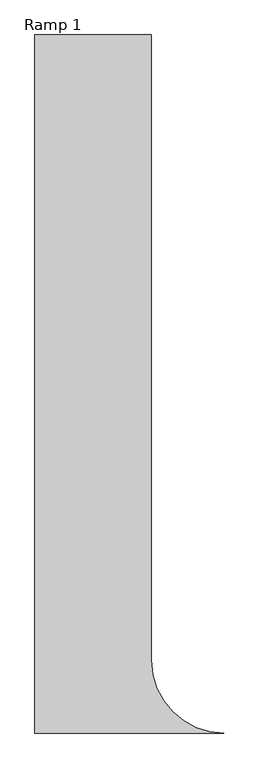
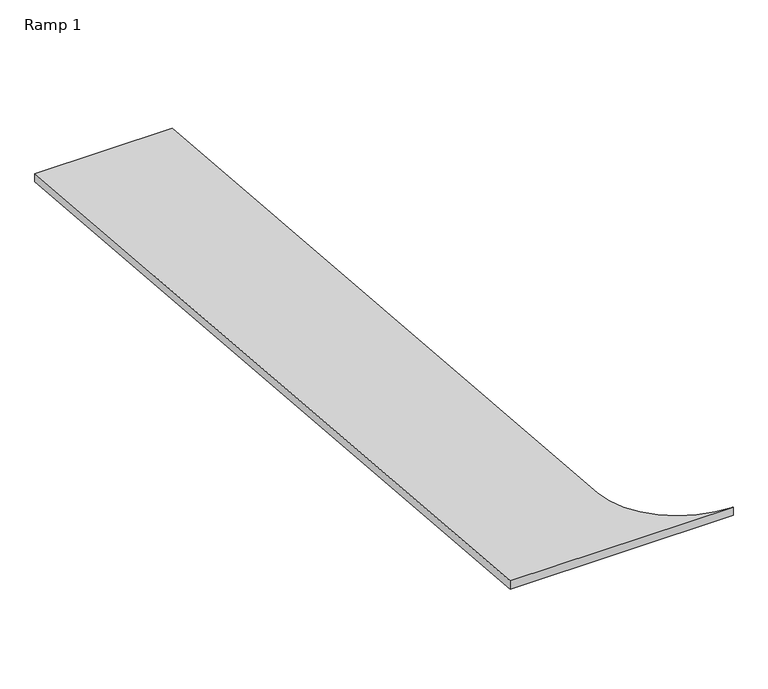
"""IFC4 building model written with IfcOpenShell, lengths in millimetres: ramp geometry, Ramp 1."""

from ifc_helpers import new_model, si_unit, frame, origin, place, context, project, spatial, polyline, ellipse_curve, source, transform, mapped, element, save
from ifc_brep_helpers import plane_surface, revolved_surface, advanced_brep


def ramp_1_0cbbdde7(model_context):
    return source(origin(), model_context, "Body", "AdvancedBrep", [
        advanced_brep(
        [(-243725.6062692, 153899.3023046, 1066.8), (-244487.6062692, 154661.3023046, 1003.3), (-244487.6062692, 161214.5023046, 457.2), (-245706.8062692, 161214.5023046, 457.2), (-245706.8062692, 153899.3023046, 1066.8), (-243725.6062692, 153899.3023046, 990.3358744), (-245706.8062692, 153899.3023046, 990.3358744), (-245706.8062692, 161214.5023046, 380.7358744), (-244487.6062692, 161214.5023046, 380.7358744), (-244487.6062692, 154661.3023046, 926.8358744)],
        [
            (0, 1, ellipse_curve(frame((-243725.6062692, 154661.3023046, 1003.3), z_axis=(0.0, -0.08304547985373976, -0.9965457582448797), x_axis=(0.0, 0.9965457582448797, -0.083045479853739)), 764.6412558, 762.0)),
            (1, 2),
            (2, 3),
            (3, 4),
            (4, 0),
            (5, 6),
            (6, 7),
            (7, 8),
            (8, 9),
            (9, 5, ellipse_curve(frame((-243725.6062692, 154661.3023046, 926.8358744), z_axis=(0.0, 0.08304547985373976, 0.9965457582448797), x_axis=(0.0, 0.9965457582448797, -0.083045479853739)), 764.6412558, 762.0)),
            (3, 7),
            (6, 4),
            (5, 0),
            (9, 1),
            (8, 2),
        ],
        [
            plane_surface(frame((-245097.2062692, 161214.5023046, 457.2), z_axis=(0.0, 0.08304547985373976, 0.9965457582448797), x_axis=(1.0, 0.0, 0.0))),
            plane_surface(frame((-245097.2062692, 161214.5023046, 380.7358744), z_axis=(0.0, -0.08304547985373976, -0.9965457582448797), x_axis=(1.0, 0.0, 0.0))),
            plane_surface(frame((-245706.8062692, 161214.5023046, 457.2), z_axis=(-1.0, 0.0, 0.0), x_axis=(0.0, 0.0, -1.0))),
            plane_surface(frame((-245706.8062692, 153899.3023046, 1066.8), z_axis=(0.0, -1.0, 0.0), x_axis=(0.0, 0.0, -1.0))),
            revolved_surface(polyline([(-242963.6062692, 154661.3023046, 863.3358743961234), (-242963.6062692, 154661.3023046, 1066.8000000038764)]), (-243725.6062692, 154661.3023046, 762.0), (0.0, 0.0, -1.0)),
            plane_surface(frame((-244487.6062692, 154661.3023046, 1003.3), z_axis=(1.0, 0.0, 0.0), x_axis=(0.0, 0.0, -1.0))),
            plane_surface(frame((-244487.6062692, 161214.5023046, 457.2), z_axis=(0.0, 1.0, 0.0), x_axis=(0.0, 0.0, -1.0))),
        ],
        [
            (0, [[1, 2, 3, 4, 5]]),
            (1, [[6, 7, 8, 9, 10]]),
            (2, [[-4, 11, -7, 12]]),
            (3, [[-5, -12, -6, 13]]),
            (4, [[-1, -13, -10, 14]]),
            (5, [[-2, -14, -9, 15]]),
            (6, [[-3, -15, -8, -11]]),
        ],
    ),
    ])


if __name__ == "__main__":
    model = new_model("IFC4")
    model_context = context("Model", 3, world=origin())
    ifc_project = project(units=[si_unit("LENGTHUNIT", "METRE", prefix="MILLI")], contexts=[model_context])
    site = spatial("IfcSite", under=ifc_project)
    building = spatial("IfcBuilding", under=site)
    placement = place(None, origin())
    ramp_1_shape = ramp_1_0cbbdde7(model_context)
    element("IfcRamp", 1, ObjectType="Ramp 1", at=placement, inside=building, context=model_context, shape_type="MappedRepresentation", body=[
        mapped(ramp_1_shape, transform((0.0, 0.0, 0.0), x_axis=(1.0, 0.0, 0.0), y_axis=(0.0, 1.0, 0.0), z_axis=(0.0, 0.0, 1.0))),
    ])
    save(model, "model.ifc")
